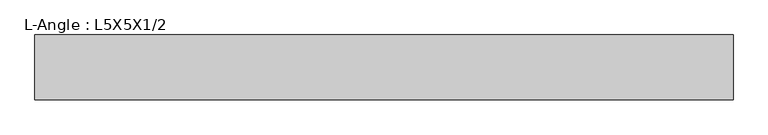
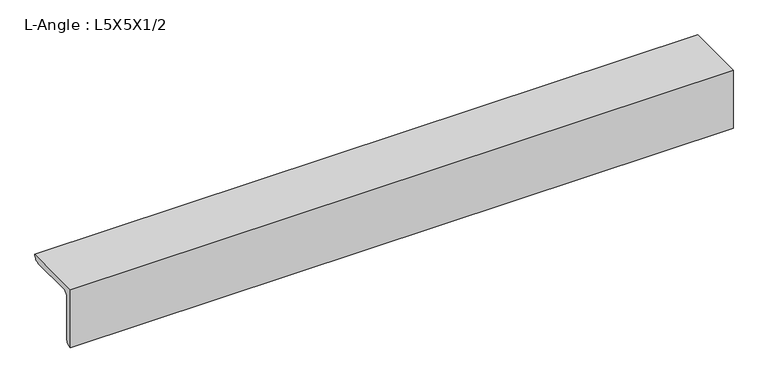
"""IFC4 building model written with IfcOpenShell, lengths in millimetres: beam geometry, L-Angle : L5X5X1/2."""

from ifc_helpers import new_model, si_unit, point, frame, frame_2d, origin, place, context, project, spatial, polyline, circle_curve, trimmed, segment, composite_curve, outline, extrude, source, transform, mapped, element, save


def l_angle_l5x5x1_2_a76af14b(model_context):
    return source(origin(), model_context, "Body", "SweptSolid", [
        extrude(outline(composite_curve([segment(polyline([(-36.068, 36.068), (90.932, 36.068)]), True, "CONTINUOUS"), segment(trimmed(circle_curve(frame_2d((78.232, 36.068)), 12.7), [point((90.932, 36.068))], [point((78.232, 23.368))], False, "CARTESIAN"), True, "CONTINUOUS"), segment(polyline([(78.232, 23.368), (-10.668, 23.368)]), True, "CONTINUOUS"), segment(trimmed(circle_curve(frame_2d((-10.668, 10.668)), 12.7), [point((-10.668, 23.368))], [point((-23.368, 10.668))], True, "CARTESIAN"), True, "CONTINUOUS"), segment(polyline([(-23.368, 10.668), (-23.368, -78.232)]), True, "CONTINUOUS"), segment(trimmed(circle_curve(frame_2d((-36.068, -78.232)), 12.7), [point((-23.368, -78.232))], [point((-36.068, -90.932))], False, "CARTESIAN"), True, "CONTINUOUS"), segment(polyline([(-36.068, -90.932), (-36.068, 36.068)]), True, "CONTINUOUS")], self_intersect=False)), frame((-657.9675986, 0.0, 0.0), z_axis=(1.0, 0.0, 0.0), x_axis=(0.0, 1.0, 0.0)), (0.0, 0.0, 1.0), 1366.9460552),
    ])


if __name__ == "__main__":
    model = new_model("IFC4")
    model_context = context("Model", 3, world=origin())
    ifc_project = project(units=[si_unit("LENGTHUNIT", "METRE", prefix="MILLI")], contexts=[model_context])
    site = spatial("IfcSite", under=ifc_project)
    building = spatial("IfcBuilding", under=site)
    placement = place(None, origin())
    l_angle_l5x5x1_2_shape = l_angle_l5x5x1_2_a76af14b(model_context)
    element("IfcBeam", 1, ObjectType="L-Angle : L5X5X1/2", at=placement, inside=building, context=model_context, shape_type="MappedRepresentation", body=[
        mapped(l_angle_l5x5x1_2_shape, transform((0.0, 0.0, 0.0), x_axis=(1.0, 0.0, 0.0), y_axis=(0.0, 1.0, 0.0), z_axis=(0.0, 0.0, 1.0))),
    ])
    save(model, "model.ifc")
